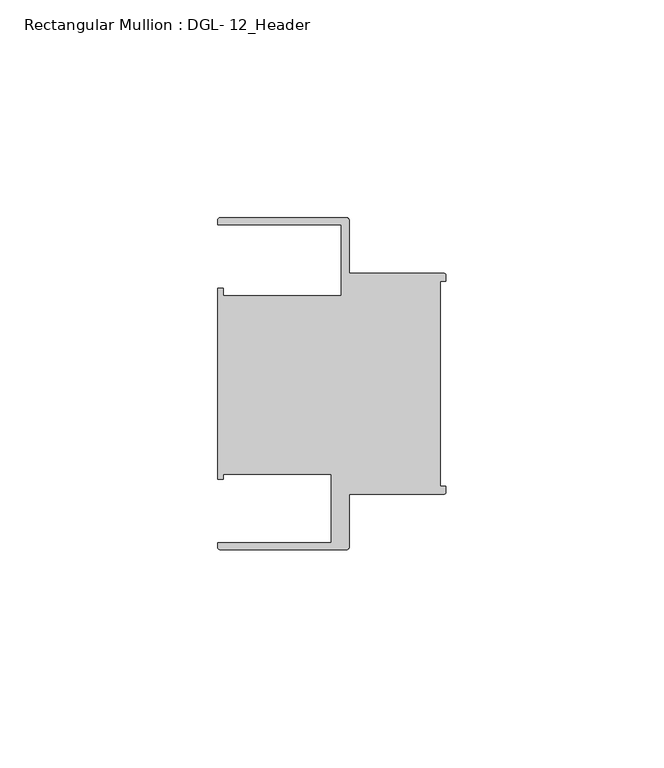
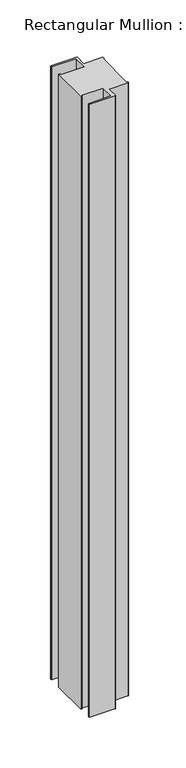
"""IFC4 building model written with IfcOpenShell, lengths in millimetres: member geometry, Rectangular Mullion : DGL- 12_Header."""

from ifc_helpers import new_model, si_unit, point, frame, frame_2d, origin, place, context, project, spatial, polyline, circle_curve, trimmed, segment, composite_curve, outline, extrude, source, transform, mapped, element, save


def rectangular_mullion_dgl_12_header_05d4a27a(model_context):
    return source(origin(), model_context, "Body", "SweptSolid", [
        extrude(outline(composite_curve([segment(trimmed(circle_curve(frame_2d((-0.5953125, 24.8046875)), 0.5953125), [point((-0.5953125, 25.4))], [point((0.0, 24.8046875))], False, "CARTESIAN"), True, "CONTINUOUS"), segment(polyline([(0.0, 24.8046875), (0.0, 23.4882401), (-1.30175, 23.4882401), (-1.30175, -23.4882401), (0.0, -23.4882401), (0.0, -24.8046875)]), True, "CONTINUOUS"), segment(trimmed(circle_curve(frame_2d((-0.5953125, -24.8046875)), 0.5953125), [point((0.0, -24.8046875))], [point((-0.5953125, -25.4))], False, "CARTESIAN"), True, "CONTINUOUS"), segment(polyline([(-0.5953125, -25.4), (-22.2332076, -25.4), (-22.2332076, -37.5047035)]), True, "CONTINUOUS"), segment(trimmed(circle_curve(frame_2d((-22.8285201, -37.5047035)), 0.5953125), [point((-22.2332076, -37.5047035))], [point((-22.8285201, -38.100016))], False, "CARTESIAN"), True, "CONTINUOUS"), segment(polyline([(-22.8285201, -38.100016), (-51.7968699, -38.100016)]), True, "CONTINUOUS"), segment(trimmed(circle_curve(frame_2d((-51.7968699, -37.5047035)), 0.5953125), [point((-51.7968699, -38.100016))], [point((-52.3921824, -37.5047035))], False, "CARTESIAN"), True, "CONTINUOUS"), segment(polyline([(-52.3921824, -37.5047035), (-52.3921824, -36.512516), (-26.3720794, -36.512516), (-26.3720794, -20.8257348), (-51.1280305, -20.8257348), (-51.1280305, -21.9710976), (-52.3948122, -21.9710976), (-52.3948122, 21.9710976), (-51.1280305, 21.9710976), (-51.1280305, 20.1823589), (-24.0747075, 20.1823589), (-24.0747075, 36.5123462), (-52.3921824, 36.5123462), (-52.3921824, 37.5043667)]), True, "CONTINUOUS"), segment(trimmed(circle_curve(frame_2d((-51.7968699, 37.5043667)), 0.5953125), [point((-52.3921824, 37.5043667))], [point((-51.7968699, 38.0996792))], False, "CARTESIAN"), True, "CONTINUOUS"), segment(polyline([(-51.7968699, 38.0996792), (-22.8285201, 38.0996792)]), True, "CONTINUOUS"), segment(trimmed(circle_curve(frame_2d((-22.8285201, 37.5043667)), 0.5953125), [point((-22.8285201, 38.0996792))], [point((-22.2332076, 37.5043667))], False, "CARTESIAN"), True, "CONTINUOUS"), segment(polyline([(-22.2332076, 37.5043667), (-22.2332076, 25.4), (-0.5953125, 25.4)]), True, "CONTINUOUS")], self_intersect=False)), frame((0.0, 0.0, -737.602731), z_axis=(0.0, 0.0, 1.0), x_axis=(1.0, 0.0, 0.0)), (0.0, 0.0, 1.0), 737.602731),
    ])


if __name__ == "__main__":
    model = new_model("IFC4")
    model_context = context("Model", 3, world=origin())
    ifc_project = project(units=[si_unit("LENGTHUNIT", "METRE", prefix="MILLI")], contexts=[model_context])
    site = spatial("IfcSite", under=ifc_project)
    building = spatial("IfcBuilding", under=site)
    placement = place(None, origin())
    rectangular_mullion_dgl_12_header_shape = rectangular_mullion_dgl_12_header_05d4a27a(model_context)
    element("IfcMember", 1, ObjectType="Rectangular Mullion : DGL- 12_Header", at=placement, inside=building, context=model_context, shape_type="MappedRepresentation", body=[
        mapped(rectangular_mullion_dgl_12_header_shape, transform((0.0, 0.0, 0.0), x_axis=(1.0, 0.0, 0.0), y_axis=(0.0, 1.0, 0.0), z_axis=(0.0, 0.0, 1.0))),
    ])
    save(model, "model.ifc")
